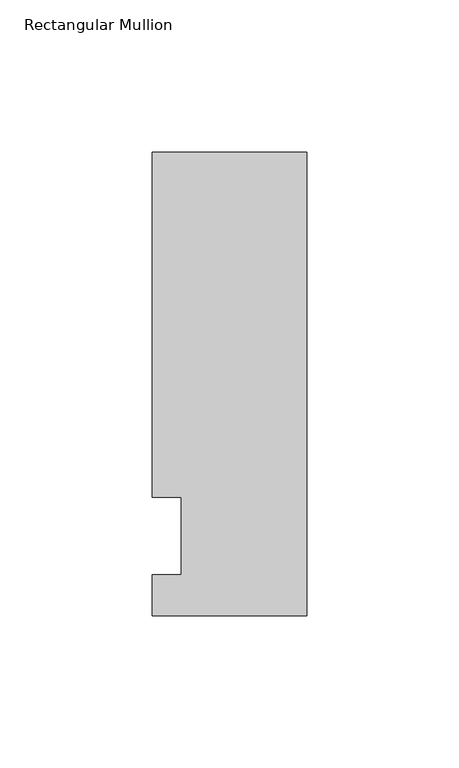
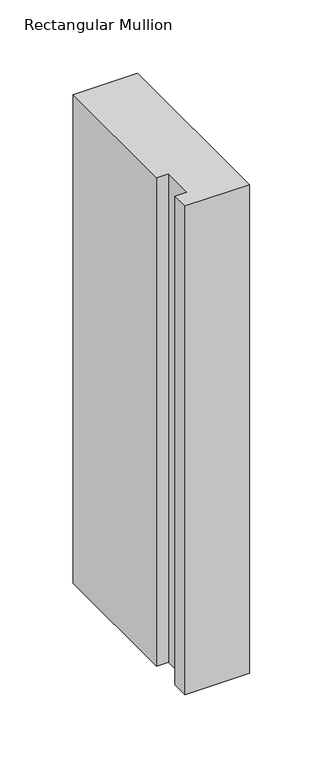
"""IFC4 building model written with IfcOpenShell, lengths in millimetres: member geometry, Rectangular Mullion."""

import ifcopenshell
import ifcopenshell.guid

model = None  # the IFC model being written
_history = None  # IfcOwnerHistory: only IFC2X3 demands one
_inside = {}  # id of a spatial element -> (the spatial element, [elements in it])
_under = {}  # id of a project, library or spatial element -> (it, [spatial elements below it])
_declared = {}  # id of a project -> (the project, [libraries it declares])
_typed = {}  # id of a type object -> (the type object, [elements of that type])
_made_of = {}  # id of a material, layer set ... -> (it, [elements and type objects made of it])


def new_model(schema):
    """Start an empty IFC model of exactly this schema.

    Asked for "IFC4X3", IfcOpenShell would pick the latest addendum, in which some entities
    have other attributes; the version numbers below select the first issue.
    IFC2X3 requires an IfcOwnerHistory on every rooted entity: one is made here for all.
    """
    global model, _history
    if schema == "IFC4X3":
        model = ifcopenshell.file(schema_version=(4, 3, 0, 0))
    else:
        model = ifcopenshell.file(schema=schema)
    _inside.clear()
    _under.clear()
    _declared.clear()
    _typed.clear()
    _made_of.clear()
    _history = None
    if model.schema == "IFC2X3":
        org = make("IfcOrganization", Name="unknown")
        user = make(
            "IfcPersonAndOrganization",
            ThePerson=make("IfcPerson", FamilyName="unknown"),
            TheOrganization=org,
        )
        app = make(
            "IfcApplication",
            ApplicationDeveloper=org,
            Version="unknown",
            ApplicationFullName="unknown",
            ApplicationIdentifier="unknown",
        )
        _history = make(
            "IfcOwnerHistory",
            OwningUser=user,
            OwningApplication=app,
            ChangeAction="ADDED",
            CreationDate=0,
        )
    return model


def make(cls, **values):
    """One entity of the class cls with the attributes given. An attribute that is None is left unset."""
    return model.create_entity(
        cls, **{name: value for name, value in values.items() if value is not None}
    )


def rooted(cls, **values):
    """An entity with a GlobalId (a new one), such as an element, a storey or a relation."""
    return make(cls, GlobalId=ifcopenshell.guid.new(), OwnerHistory=_history, **values)


def si_unit(unit_type, name, prefix=None):
    """IfcSIUnit, for example si_unit("LENGTHUNIT", "METRE", prefix="MILLI")."""
    return make("IfcSIUnit", UnitType=unit_type, Prefix=prefix, Name=name)


def assignment(units):
    """IfcUnitAssignment: the units of a project."""
    return None if units is None else make("IfcUnitAssignment", Units=units)


def point(xyz):
    """IfcCartesianPoint."""
    return None if xyz is None else make("IfcCartesianPoint", Coordinates=xyz)


def direction(xyz):
    """IfcDirection."""
    return None if xyz is None else make("IfcDirection", DirectionRatios=xyz)


def frame(location, z_axis=None, x_axis=None):
    """IfcAxis2Placement3D, a coordinate frame: its origin and axes. An axis left out is left unset."""
    return make(
        "IfcAxis2Placement3D",
        Location=point(location),
        Axis=direction(z_axis),
        RefDirection=direction(x_axis),
    )


def origin():
    """The frame at (0, 0, 0) with its axes left unset."""
    return frame((0.0, 0.0, 0.0))


def place(relative_to, where):
    """IfcLocalPlacement: puts the frame where relative to a parent placement (None: the world)."""
    return make(
        "IfcLocalPlacement", PlacementRelTo=relative_to, RelativePlacement=where
    )


def context(
    kind, dimensions, precision=None, world=None, true_north=None, identifier=None
):
    """IfcGeometricRepresentationContext, for example the 3D "Model" context."""
    return make(
        "IfcGeometricRepresentationContext",
        ContextIdentifier=identifier,
        ContextType=kind,
        CoordinateSpaceDimension=dimensions,
        Precision=precision,
        WorldCoordinateSystem=world,
        TrueNorth=true_north,
    )


def project(units=None, contexts=None):
    """IfcProject with its units and contexts."""
    return rooted(
        "IfcProject",
        Name="project",
        RepresentationContexts=contexts,
        UnitsInContext=assignment(units),
    )


def spatial(cls, under=None, at=None, **own):
    """A site, building, storey or space (cls), placed at a placement, below another one or the project."""
    s = rooted(cls, ObjectPlacement=at, **own)
    if under is not None:
        _under.setdefault(under.id(), (under, []))[1].append(s)
    return s


def polyline(points):
    """IfcPolyline through the points."""
    return make("IfcPolyline", Points=[point(p) for p in points])


def outline(outer, holes=None, kind="AREA"):
    """IfcArbitraryClosedProfileDef: a profile drawn as a closed curve; with holes, ...WithVoids."""
    if holes is None:
        return make("IfcArbitraryClosedProfileDef", ProfileType=kind, OuterCurve=outer)
    return make(
        "IfcArbitraryProfileDefWithVoids",
        ProfileType=kind,
        OuterCurve=outer,
        InnerCurves=holes,
    )


def extrude(swept, where, along, depth):
    """IfcExtrudedAreaSolid: the profile swept, set in the frame where, extruded along a direction by depth."""
    return make(
        "IfcExtrudedAreaSolid",
        SweptArea=swept,
        Position=where,
        ExtrudedDirection=direction(along),
        Depth=depth,
    )


def shape(context_of_items, identifier, shape_type, items):
    """IfcShapeRepresentation: the items that make up one representation, for example the "Body"."""
    return make(
        "IfcShapeRepresentation",
        ContextOfItems=context_of_items,
        RepresentationIdentifier=identifier,
        RepresentationType=shape_type,
        Items=items,
    )


def source(mapping_origin, context_of_items, identifier, shape_type, items):
    """IfcRepresentationMap: a shape defined once, which mapped items show again and again."""
    return make(
        "IfcRepresentationMap",
        MappingOrigin=mapping_origin,
        MappedRepresentation=shape(context_of_items, identifier, shape_type, items),
    )


def transform(
    local_origin,
    x_axis=None,
    y_axis=None,
    z_axis=None,
    scale=None,
    scale2=None,
    scale3=None,
    uniform=True,
):
    """IfcCartesianTransformationOperator3D, or its non-uniform kind. x_axis, y_axis, z_axis: its Axis1, 2, 3."""
    if uniform:
        return make(
            "IfcCartesianTransformationOperator3D",
            Axis1=direction(x_axis),
            Axis2=direction(y_axis),
            LocalOrigin=point(local_origin),
            Scale=scale,
            Axis3=direction(z_axis),
        )
    return make(
        "IfcCartesianTransformationOperator3DnonUniform",
        Axis1=direction(x_axis),
        Axis2=direction(y_axis),
        LocalOrigin=point(local_origin),
        Scale=scale,
        Axis3=direction(z_axis),
        Scale2=scale2,
        Scale3=scale3,
    )


def mapped(mapping_source, mapping_target):
    """IfcMappedItem: shows the shape of a source again, moved by a transform."""
    return make(
        "IfcMappedItem", MappingSource=mapping_source, MappingTarget=mapping_target
    )


def made_of(thing, what):
    """Note that an element or type object is made of a material, layer set ...; save() writes the relation."""
    if what is not None:
        _made_of.setdefault(what.id(), (what, []))[1].append(thing)
    return thing


def element(
    cls,
    number,
    at=None,
    inside=None,
    cuts=None,
    type_object=None,
    material=None,
    context=None,
    identifier="Body",
    shape_type=None,
    held_by="IfcProductDefinitionShape",
    body=None,
    shapes=None,
    **own,
):
    """One element of the class cls, such as IfcWall. Its Tag is "e" and its number.

    at: its placement. inside: the storey or other place that contains it. cuts: it is an
    opening in that element (IfcRelVoidsElement). A single representation is given by context,
    identifier, shape_type and body (its items); several are given by shapes. held_by: the class
    of the entity that holds the representations. save() writes the other relations.
    """
    e = rooted(cls, Tag="e%d" % number, ObjectPlacement=at, **own)
    if body is not None:
        shapes = [shape(context, identifier, shape_type, body)]
    if shapes is not None:
        e.Representation = make(held_by, Representations=shapes)
    if inside is not None:
        _inside.setdefault(inside.id(), (inside, []))[1].append(e)
    if cuts is not None:
        rooted(
            "IfcRelVoidsElement", RelatingBuildingElement=cuts, RelatedOpeningElement=e
        )
    if type_object is not None:
        _typed.setdefault(type_object.id(), (type_object, []))[1].append(e)
    return made_of(e, material)


def aggregate(whole, parts):
    """IfcRelAggregates: a whole, such as a stair, and the parts it consists of."""
    return rooted("IfcRelAggregates", RelatingObject=whole, RelatedObjects=parts)


def save(model, path):
    """Write the relations noted so far, then the file.

    IfcRelAggregates (storeys below a building ...), IfcRelContainedInSpatialStructure (elements
    in a storey), IfcRelDefinesByType, IfcRelAssociatesMaterial and IfcRelDeclares: one each for
    every whole, place, type object, material and project.
    """
    for whole, parts in _under.values():
        aggregate(whole, parts)
    for where, things in _inside.values():
        rooted(
            "IfcRelContainedInSpatialStructure",
            RelatedElements=things,
            RelatingStructure=where,
        )
    for kind, things in _typed.values():
        rooted("IfcRelDefinesByType", RelatedObjects=things, RelatingType=kind)
    for what, things in _made_of.values():
        rooted("IfcRelAssociatesMaterial", RelatedObjects=things, RelatingMaterial=what)
    for by, libraries in _declared.values():
        rooted("IfcRelDeclares", RelatingContext=by, RelatedDefinitions=libraries)
    model.write(path)


def rectangular_mullion_d3123e84(model_context):
    return source(origin(), model_context, "Body", "SweptSolid", [
        extrude(outline(polyline([(-50.8, -26.19375), (-50.8, -12.7), (-41.275, -12.7), (-41.275, 12.7), (-50.8, 12.7), (-50.8, 126.20625), (0.0, 126.20625), (0.0, -26.19375), (-50.8, -26.19375)])), frame((0.0, 0.0, -406.4), z_axis=(0.0, 0.0, 1.0), x_axis=(1.0, 0.0, 0.0)), (0.0, 0.0, 1.0), 406.4),
    ])


if __name__ == "__main__":
    model = new_model("IFC4")
    model_context = context("Model", 3, world=origin())
    ifc_project = project(units=[si_unit("LENGTHUNIT", "METRE", prefix="MILLI")], contexts=[model_context])
    site = spatial("IfcSite", under=ifc_project)
    building = spatial("IfcBuilding", under=site)
    placement = place(None, origin())
    rectangular_mullion_shape = rectangular_mullion_d3123e84(model_context)
    element("IfcMember", 1, ObjectType="Rectangular Mullion", at=placement, inside=building, context=model_context, shape_type="MappedRepresentation", body=[
        mapped(rectangular_mullion_shape, transform((0.0, 0.0, 0.0), x_axis=(1.0, 0.0, 0.0), y_axis=(0.0, 1.0, 0.0), z_axis=(0.0, 0.0, 1.0))),
    ])
    save(model, "model.ifc")
